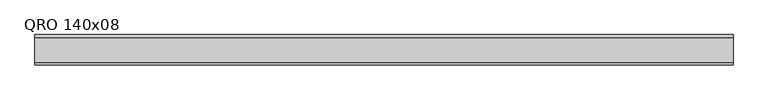
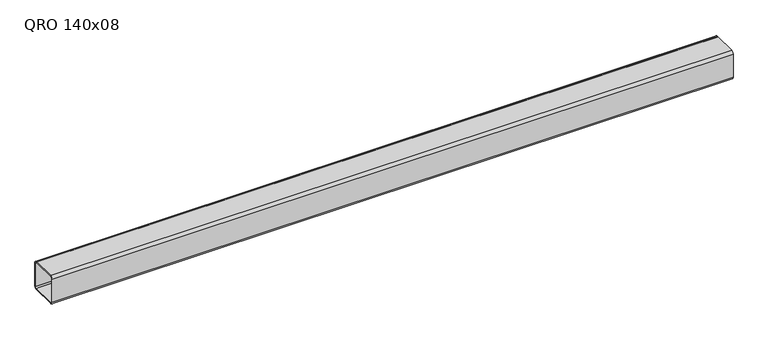
"""IFC4 building model written with IfcOpenShell, lengths in millimetres: beam geometry, QRO 140x08."""

from ifc_helpers import new_model, si_unit, point, frame, frame_2d, origin, place, context, project, spatial, polyline, circle_curve, trimmed, segment, composite_curve, outline, extrude, source, transform, mapped, element, save


def qro_140x08_c3f9ca7d(model_context):
    return source(origin(), model_context, "Body", "SweptSolid", [
        extrude(outline(composite_curve([segment(polyline([(70.0, 58.0), (70.0, -58.0)]), True, "CONTINUOUS"), segment(trimmed(circle_curve(frame_2d((58.0, -58.0)), 12.0), [point((70.0, -58.0))], [point((58.0, -70.0))], False, "CARTESIAN"), True, "CONTINUOUS"), segment(polyline([(58.0, -70.0), (-58.0, -70.0)]), True, "CONTINUOUS"), segment(trimmed(circle_curve(frame_2d((-58.0, -58.0)), 12.0), [point((-58.0, -70.0))], [point((-70.0, -58.0))], False, "CARTESIAN"), True, "CONTINUOUS"), segment(polyline([(-70.0, -58.0), (-70.0, 58.0)]), True, "CONTINUOUS"), segment(trimmed(circle_curve(frame_2d((-58.0, 58.0)), 12.0), [point((-70.0, 58.0))], [point((-58.0, 70.0))], False, "CARTESIAN"), True, "CONTINUOUS"), segment(polyline([(-58.0, 70.0), (58.0, 70.0)]), True, "CONTINUOUS"), segment(trimmed(circle_curve(frame_2d((58.0, 58.0)), 12.0), [point((58.0, 70.0))], [point((70.0, 58.0))], False, "CARTESIAN"), True, "CONTINUOUS")], self_intersect=False), holes=[composite_curve([segment(trimmed(circle_curve(frame_2d((-58.0, 58.0)), 6.0), [point((-58.0, 64.0))], [point((-64.0, 58.0))], True, "CARTESIAN"), True, "CONTINUOUS"), segment(polyline([(-64.0, 58.0), (-64.0, -58.0)]), True, "CONTINUOUS"), segment(trimmed(circle_curve(frame_2d((-58.0, -58.0)), 6.0), [point((-64.0, -58.0))], [point((-58.0, -64.0))], True, "CARTESIAN"), True, "CONTINUOUS"), segment(polyline([(-58.0, -64.0), (58.0, -64.0)]), True, "CONTINUOUS"), segment(trimmed(circle_curve(frame_2d((58.0, -58.0)), 6.0), [point((58.0, -64.0))], [point((64.0, -58.0))], True, "CARTESIAN"), True, "CONTINUOUS"), segment(polyline([(64.0, -58.0), (64.0, 58.0)]), True, "CONTINUOUS"), segment(trimmed(circle_curve(frame_2d((58.0, 58.0)), 6.0), [point((64.0, 58.0))], [point((58.0, 64.0))], True, "CARTESIAN"), True, "CONTINUOUS"), segment(polyline([(58.0, 64.0), (-58.0, 64.0)]), True, "CONTINUOUS")], self_intersect=False)]), frame((-1661.5856575, 0.0, 0.0), z_axis=(1.0, 0.0, 0.0), x_axis=(0.0, 1.0, 0.0)), (0.0, 0.0, 1.0), 3227.385313),
    ])


if __name__ == "__main__":
    model = new_model("IFC4")
    model_context = context("Model", 3, world=origin())
    ifc_project = project(units=[si_unit("LENGTHUNIT", "METRE", prefix="MILLI")], contexts=[model_context])
    site = spatial("IfcSite", under=ifc_project)
    building = spatial("IfcBuilding", under=site)
    placement = place(None, origin())
    qro_140x08_shape = qro_140x08_c3f9ca7d(model_context)
    element("IfcBeam", 1, ObjectType="QRO 140x08", at=placement, inside=building, context=model_context, shape_type="MappedRepresentation", body=[
        mapped(qro_140x08_shape, transform((0.0, 0.0, 0.0), x_axis=(1.0, 0.0, 0.0), y_axis=(0.0, 1.0, 0.0), z_axis=(0.0, 0.0, 1.0))),
    ])
    save(model, "model.ifc")
